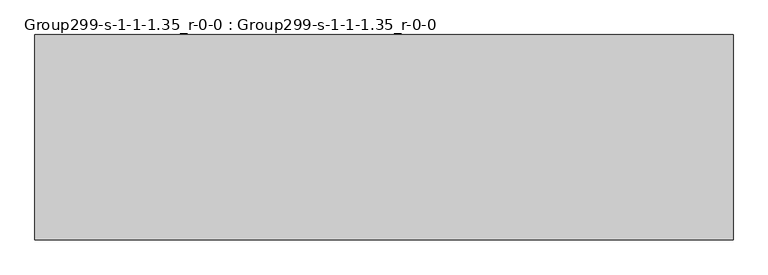
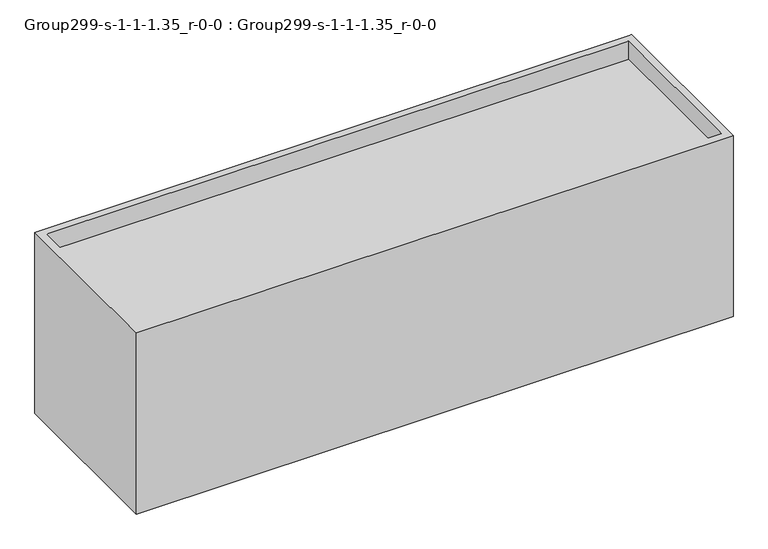
"""IFC4 building model written with IfcOpenShell, lengths in millimetres: geographic element geometry, Group299-s-1-1-1.35_r-0-0 : Group299-s-1-1-1.35_r-0-0."""

from ifc_helpers import new_model, si_unit, origin, place, context, project, spatial, triangles, source, transform, mapped, element, save


def group299_s_1_1_1_35_r_0_0_group299_s_1_1_1_35_r_0_0_05691408(model_context):
    return source(origin(), model_context, "Body", "Tessellation", [
        triangles([(16976.7253876, 7585.0748062, 0.0), (-8792.4749451, 0.0, 0.0), (-8792.4749451, 7585.0748062, 0.0), (16976.7253876, 0.0, 0.0), (-8792.4749451, 0.0, 8277.0407089), (-8487.6749451, 304.8, 8277.0407089), (-8792.4749451, 7585.0748062, 8277.0407089), (16976.7253876, 0.0, 8277.0407089), (16671.9253876, 304.8, 8277.0407089), (16671.9253876, 7280.2748062, 8277.0407089), (-8487.6749451, 7280.2748062, 8277.0407089), (16976.7253876, 7585.0748062, 8277.0407089), (16671.9253876, 304.8, 7454.0804764), (16671.9253876, 7280.2748062, 7454.0804764), (-8487.6749451, 7280.2748062, 7454.0804764), (-8487.6749451, 304.8, 7454.0804764)], [[1, 2, 3], [2, 1, 4], [5, 6, 7], [6, 5, 8], [6, 8, 9], [9, 8, 10], [7, 11, 12], [11, 7, 6], [12, 11, 10], [12, 10, 8], [10, 13, 9], [13, 10, 14], [10, 15, 14], [15, 10, 11], [4, 12, 8], [12, 4, 1], [7, 1, 3], [1, 7, 12], [13, 15, 16], [15, 13, 14], [7, 2, 5], [2, 7, 3], [4, 5, 2], [5, 4, 8], [15, 6, 16], [6, 15, 11], [6, 13, 16], [13, 6, 9]]),
    ])


if __name__ == "__main__":
    model = new_model("IFC4")
    model_context = context("Model", 3, world=origin())
    ifc_project = project(units=[si_unit("LENGTHUNIT", "METRE", prefix="MILLI")], contexts=[model_context])
    site = spatial("IfcSite", under=ifc_project)
    building = spatial("IfcBuilding", under=site)
    placement = place(None, origin())
    group299_s_1_1_1_35_r_0_0_group299_s_1_1_1_35_r_0_0_shape = group299_s_1_1_1_35_r_0_0_group299_s_1_1_1_35_r_0_0_05691408(model_context)
    element("IfcGeographicElement", 1, ObjectType="Group299-s-1-1-1.35_r-0-0 : Group299-s-1-1-1.35_r-0-0", at=placement, inside=building, context=model_context, shape_type="MappedRepresentation", body=[
        mapped(group299_s_1_1_1_35_r_0_0_group299_s_1_1_1_35_r_0_0_shape, transform((0.0, 0.0, 0.0), x_axis=(1.0, 0.0, 0.0), y_axis=(0.0, 1.0, 0.0), z_axis=(0.0, 0.0, 1.0))),
    ])
    save(model, "model.ifc")
